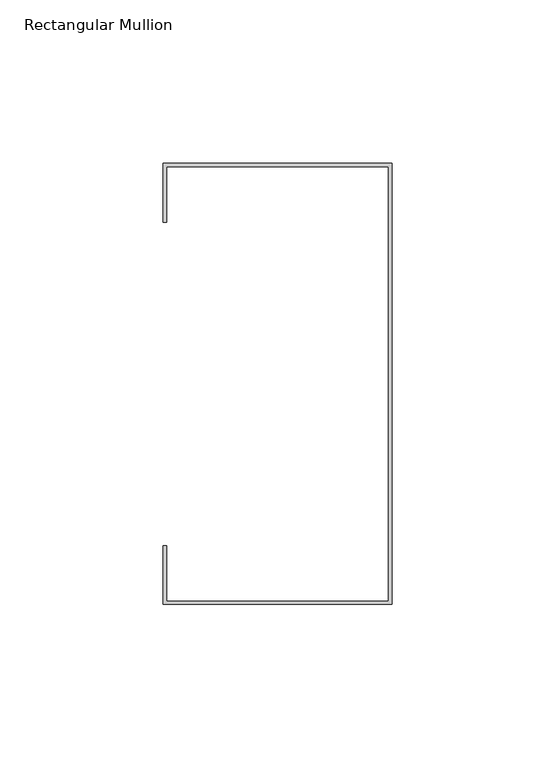
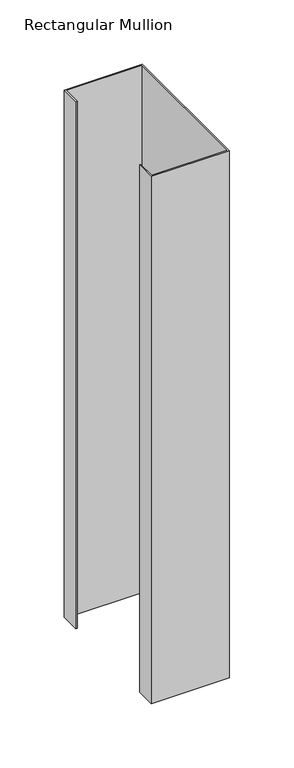
"""IFC4 building model written with IfcOpenShell, lengths in millimetres: member geometry, Rectangular Mullion."""

from ifc_helpers import new_model, si_unit, frame, origin, place, context, project, spatial, polyline, outline, extrude, source, transform, mapped, element, save


def rectangular_mullion_212cb93a(model_context):
    return source(origin(), model_context, "Body", "SweptSolid", [
        extrude(outline(polyline([(-250.0, -159.9842182), (-320.0, -159.9842182), (-320.0, -141.9842182), (-319.0, -141.9842182), (-319.0, -158.9842182), (-251.0, -158.9842182), (-251.0, -25.9842182), (-319.0, -25.9842182), (-319.0, -42.9842182), (-320.0, -42.9842182), (-320.0, -24.9842182), (-250.0, -24.9842182), (-250.0, -159.9842182)])), frame((0.0, 0.0, -500.0), z_axis=(0.0, 0.0, 1.0), x_axis=(1.0, 0.0, 0.0)), (0.0, 0.0, 1.0), 500.0),
    ])


if __name__ == "__main__":
    model = new_model("IFC4")
    model_context = context("Model", 3, world=origin())
    ifc_project = project(units=[si_unit("LENGTHUNIT", "METRE", prefix="MILLI")], contexts=[model_context])
    site = spatial("IfcSite", under=ifc_project)
    building = spatial("IfcBuilding", under=site)
    placement = place(None, origin())
    rectangular_mullion_shape = rectangular_mullion_212cb93a(model_context)
    element("IfcMember", 1, ObjectType="Rectangular Mullion", at=placement, inside=building, context=model_context, shape_type="MappedRepresentation", body=[
        mapped(rectangular_mullion_shape, transform((0.0, 0.0, 0.0), x_axis=(1.0, 0.0, 0.0), y_axis=(0.0, 1.0, 0.0), z_axis=(0.0, 0.0, 1.0))),
    ])
    save(model, "model.ifc")
